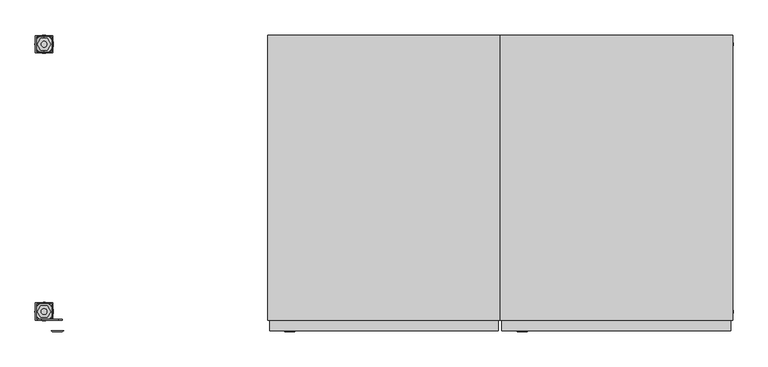
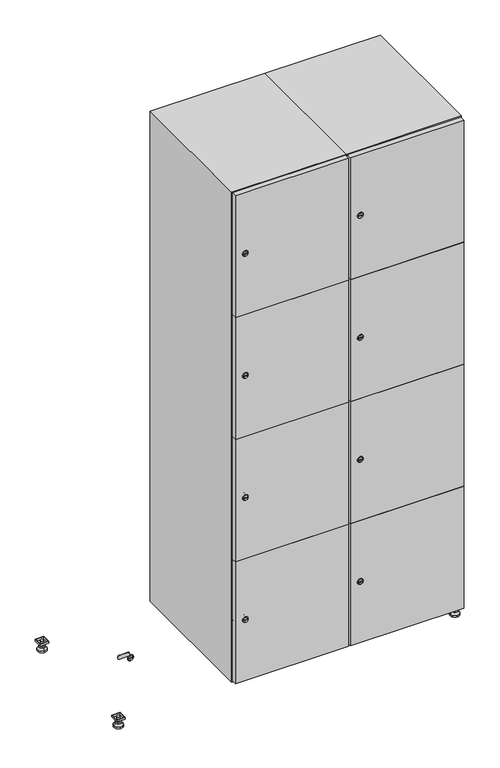
"""IFC4 building model written with IfcOpenShell, lengths in millimetres: furniture geometry."""

from ifc_helpers import new_model, si_unit, point, frame, frame_2d, origin, origin_with_axes, place, context, project, spatial, polyline, circle_curve, trimmed, segment, composite_curve, outline, extrude, faceted_brep, source, transform, mapped, element, save
from ifc_brep_helpers import plane_surface, revolved_surface, advanced_brep


def furniture_dc9c02c7(model_context):
    return source(origin(), model_context, "Body", "SolidModel", [
        extrude(outline(polyline([(1000.0, 245.0), (1000.0, 215.0), (970.0, 215.0), (970.0, 245.0), (1000.0, 245.0)]), holes=[polyline([(998.0, 243.0), (972.0, 243.0), (972.0, 217.0), (998.0, 217.0), (998.0, 243.0)])]), frame((0.0, 0.0, 28.5), z_axis=(0.0, 0.0, 1.0), x_axis=(1.0, 0.0, 0.0)), (0.0, 0.0, 1.0), 6.5),
        extrude(outline(polyline([(970.0, -245.0), (970.0, -215.0), (1000.0, -215.0), (1000.0, -245.0), (970.0, -245.0)]), holes=[polyline([(972.0, -243.0), (998.0, -243.0), (998.0, -217.0), (972.0, -217.0), (972.0, -243.0)])]), frame((0.0, 0.0, 28.5), z_axis=(0.0, 0.0, 1.0), x_axis=(1.0, 0.0, 0.0)), (0.0, 0.0, 1.0), 6.5),
        extrude(outline(polyline([(-170.0, 245.0), (-170.0, 215.0), (-200.0, 215.0), (-200.0, 245.0), (-170.0, 245.0)]), holes=[polyline([(-172.0, 243.0), (-198.0, 243.0), (-198.0, 217.0), (-172.0, 217.0), (-172.0, 243.0)])]), frame((0.0, 0.0, 28.5), z_axis=(0.0, 0.0, 1.0), x_axis=(1.0, 0.0, 0.0)), (0.0, 0.0, 1.0), 6.5),
        extrude(outline(polyline([(-170.0, -215.0), (-170.0, -245.0), (-200.0, -245.0), (-200.0, -215.0), (-170.0, -215.0)]), holes=[polyline([(-198.0, -243.0), (-172.0, -243.0), (-172.0, -217.0), (-198.0, -217.0), (-198.0, -243.0)])]), frame((0.0, 0.0, 28.5), z_axis=(0.0, 0.0, 1.0), x_axis=(1.0, 0.0, 0.0)), (0.0, 0.0, 1.0), 6.5),
        extrude(outline(composite_curve([segment(trimmed(circle_curve(frame_2d((-185.0, 230.0)), 5.0), [point((-180.0, 230.0))], [point((-190.0, 230.0))], False, "CARTESIAN"), True, "CONTINUOUS"), segment(trimmed(circle_curve(frame_2d((-185.0, 230.0)), 5.0), [point((-190.0, 230.0))], [point((-180.0, 230.0))], False, "CARTESIAN"), True, "CONTINUOUS")], self_intersect=False)), frame((0.0, 0.0, 19.6), z_axis=(0.0, 0.0, 1.0), x_axis=(1.0, 0.0, 0.0)), (0.0, 0.0, 1.0), 15.4),
        extrude(outline(composite_curve([segment(trimmed(circle_curve(frame_2d((-185.0, -230.0)), 5.0), [point((-180.0, -230.0))], [point((-190.0, -230.0))], False, "CARTESIAN"), True, "CONTINUOUS"), segment(trimmed(circle_curve(frame_2d((-185.0, -230.0)), 5.0), [point((-190.0, -230.0))], [point((-180.0, -230.0))], False, "CARTESIAN"), True, "CONTINUOUS")], self_intersect=False)), frame((0.0, 0.0, 19.6), z_axis=(0.0, 0.0, 1.0), x_axis=(1.0, 0.0, 0.0)), (0.0, 0.0, 1.0), 15.4),
        extrude(outline(composite_curve([segment(trimmed(circle_curve(frame_2d((985.0, 230.0)), 5.0), [point((990.0, 230.0))], [point((980.0, 230.0))], False, "CARTESIAN"), True, "CONTINUOUS"), segment(trimmed(circle_curve(frame_2d((985.0, 230.0)), 5.0), [point((980.0, 230.0))], [point((990.0, 230.0))], False, "CARTESIAN"), True, "CONTINUOUS")], self_intersect=False)), frame((0.0, 0.0, 19.6), z_axis=(0.0, 0.0, 1.0), x_axis=(1.0, 0.0, 0.0)), (0.0, 0.0, 1.0), 15.4),
        extrude(outline(polyline([(973.4529946, 230.0), (979.2264973, 240.0), (990.7735027, 240.0), (996.5470054, 230.0), (990.7735027, 220.0), (979.2264973, 220.0), (973.4529946, 230.0)])), frame((0.0, 0.0, 13.6), z_axis=(0.0, 0.0, 1.0), x_axis=(1.0, 0.0, 0.0)), (0.0, 0.0, 1.0), 6.0),
        extrude(outline(composite_curve([segment(trimmed(circle_curve(frame_2d((985.0, -230.0)), 5.0), [point((990.0, -230.0))], [point((980.0, -230.0))], False, "CARTESIAN"), True, "CONTINUOUS"), segment(trimmed(circle_curve(frame_2d((985.0, -230.0)), 5.0), [point((980.0, -230.0))], [point((990.0, -230.0))], False, "CARTESIAN"), True, "CONTINUOUS")], self_intersect=False)), frame((0.0, 0.0, 19.6), z_axis=(0.0, 0.0, 1.0), x_axis=(1.0, 0.0, 0.0)), (0.0, 0.0, 1.0), 15.4),
        extrude(outline(polyline([(973.4529946, -230.0), (979.2264973, -220.0), (990.7735027, -220.0), (996.5470054, -230.0), (990.7735027, -240.0), (979.2264973, -240.0), (973.4529946, -230.0)])), frame((0.0, 0.0, 13.6), z_axis=(0.0, 0.0, 1.0), x_axis=(1.0, 0.0, 0.0)), (0.0, 0.0, 1.0), 6.0),
        extrude(outline(composite_curve([segment(trimmed(circle_curve(frame_2d((985.0, 230.0)), 5.0), [point((990.0, 230.0))], [point((980.0, 230.0))], False, "CARTESIAN"), True, "CONTINUOUS"), segment(trimmed(circle_curve(frame_2d((985.0, 230.0)), 5.0), [point((980.0, 230.0))], [point((990.0, 230.0))], False, "CARTESIAN"), True, "CONTINUOUS")], self_intersect=False)), frame((0.0, 0.0, 12.1), z_axis=(0.0, 0.0, 1.0), x_axis=(1.0, 0.0, 0.0)), (0.0, 0.0, 1.0), 1.5),
        extrude(outline(composite_curve([segment(trimmed(circle_curve(frame_2d((985.0, -230.0)), 5.0), [point((990.0, -230.0))], [point((980.0, -230.0))], False, "CARTESIAN"), True, "CONTINUOUS"), segment(trimmed(circle_curve(frame_2d((985.0, -230.0)), 5.0), [point((980.0, -230.0))], [point((990.0, -230.0))], False, "CARTESIAN"), True, "CONTINUOUS")], self_intersect=False)), frame((0.0, 0.0, 12.1), z_axis=(0.0, 0.0, 1.0), x_axis=(1.0, 0.0, 0.0)), (0.0, 0.0, 1.0), 1.5),
        extrude(outline(polyline([(-196.5470054, 230.0), (-190.7735027, 240.0), (-179.2264973, 240.0), (-173.4529946, 230.0), (-179.2264973, 220.0), (-190.7735027, 220.0), (-196.5470054, 230.0)])), frame((0.0, 0.0, 13.6), z_axis=(0.0, 0.0, 1.0), x_axis=(1.0, 0.0, 0.0)), (0.0, 0.0, 1.0), 6.0),
        extrude(outline(polyline([(-196.5470054, -230.0), (-190.7735027, -220.0), (-179.2264973, -220.0), (-173.4529946, -230.0), (-179.2264973, -240.0), (-190.7735027, -240.0), (-196.5470054, -230.0)])), frame((0.0, 0.0, 13.6), z_axis=(0.0, 0.0, 1.0), x_axis=(1.0, 0.0, 0.0)), (0.0, 0.0, 1.0), 6.0),
        extrude(outline(composite_curve([segment(trimmed(circle_curve(frame_2d((-185.0, 230.0)), 5.0), [point((-185.0, 235.0))], [point((-185.0, 225.0))], False, "CARTESIAN"), True, "CONTINUOUS"), segment(trimmed(circle_curve(frame_2d((-185.0, 230.0)), 5.0), [point((-185.0, 225.0))], [point((-185.0, 235.0))], False, "CARTESIAN"), True, "CONTINUOUS")], self_intersect=False)), frame((0.0, 0.0, 12.1), z_axis=(0.0, 0.0, 1.0), x_axis=(1.0, 0.0, 0.0)), (0.0, 0.0, 1.0), 1.5),
        extrude(outline(composite_curve([segment(trimmed(circle_curve(frame_2d((-185.0, -230.0)), 5.0), [point((-180.0, -230.0))], [point((-190.0, -230.0))], False, "CARTESIAN"), True, "CONTINUOUS"), segment(trimmed(circle_curve(frame_2d((-185.0, -230.0)), 5.0), [point((-190.0, -230.0))], [point((-180.0, -230.0))], False, "CARTESIAN"), True, "CONTINUOUS")], self_intersect=False)), frame((0.0, 0.0, 12.1), z_axis=(0.0, 0.0, 1.0), x_axis=(1.0, 0.0, 0.0)), (0.0, 0.0, 1.0), 1.5),
        extrude(outline(composite_curve([segment(trimmed(circle_curve(frame_2d((985.0, 230.0)), 15.75), [point((1000.75, 230.0))], [point((969.25, 230.0))], False, "CARTESIAN"), True, "CONTINUOUS"), segment(trimmed(circle_curve(frame_2d((985.0, 230.0)), 15.75), [point((969.25, 230.0))], [point((1000.75, 230.0))], False, "CARTESIAN"), True, "CONTINUOUS")], self_intersect=False)), origin_with_axes(), (0.0, 0.0, 1.0), 5.1),
        extrude(outline(composite_curve([segment(trimmed(circle_curve(frame_2d((985.0, -230.0)), 15.75), [point((985.0, -214.25))], [point((985.0, -245.75))], False, "CARTESIAN"), True, "CONTINUOUS"), segment(trimmed(circle_curve(frame_2d((985.0, -230.0)), 15.75), [point((985.0, -245.75))], [point((985.0, -214.25))], False, "CARTESIAN"), True, "CONTINUOUS")], self_intersect=False)), origin_with_axes(), (0.0, 0.0, 1.0), 5.1),
        extrude(outline(composite_curve([segment(trimmed(circle_curve(frame_2d((-185.0, -230.0)), 15.75), [point((-169.25, -230.0))], [point((-200.75, -230.0))], False, "CARTESIAN"), True, "CONTINUOUS"), segment(trimmed(circle_curve(frame_2d((-185.0, -230.0)), 15.75), [point((-200.75, -230.0))], [point((-169.25, -230.0))], False, "CARTESIAN"), True, "CONTINUOUS")], self_intersect=False)), origin_with_axes(), (0.0, 0.0, 1.0), 5.1),
        extrude(outline(composite_curve([segment(trimmed(circle_curve(frame_2d((-185.0, 230.0)), 15.75), [point((-169.25, 230.0))], [point((-200.75, 230.0))], False, "CARTESIAN"), True, "CONTINUOUS"), segment(trimmed(circle_curve(frame_2d((-185.0, 230.0)), 15.75), [point((-200.75, 230.0))], [point((-169.25, 230.0))], False, "CARTESIAN"), True, "CONTINUOUS")], self_intersect=False)), origin_with_axes(), (0.0, 0.0, 1.0), 5.1),
        advanced_brep(
        [(-185.0, 239.5, 12.1), (-185.0, 220.5, 12.1), (-185.0, 214.25, 5.1), (-185.0, 245.75, 5.1)],
        [
            (0, 1, circle_curve(frame((-185.0, 230.0, 12.1), z_axis=(0.0, 0.0, -1.0), x_axis=(0.0, 1.0, 0.0)), 9.5)),
            (1, 2),
            (2, 3, circle_curve(frame((-185.0, 230.0, 5.1), z_axis=(0.0, 0.0, 1.0), x_axis=(0.0, 1.0, 0.0)), 15.75)),
            (3, 0),
            (1, 0, circle_curve(frame((-185.0, 230.0, 12.1), z_axis=(0.0, 0.0, -1.0), x_axis=(0.0, -1.0, 0.0)), 9.5)),
            (3, 2, circle_curve(frame((-185.0, 230.0, 5.1), z_axis=(0.0, 0.0, 1.0), x_axis=(0.0, -1.0, 0.0)), 15.75)),
        ],
        [
            revolved_surface(polyline([(-185.0, 220.5, 12.099999999999998), (-185.0, 214.25, 5.099999999999998)]), (-185.0, 230.0, 22.74), (0.0, 0.0, -1.0)),
            revolved_surface(polyline([(-185.0, 239.5, 12.099999999999998), (-185.0, 245.75, 5.099999999999998)]), (-185.0, 230.0, 22.74), (0.0, 0.0, -1.0)),
            plane_surface(frame((-185.0, 230.0, 5.1), z_axis=(0.0, 0.0, -1.0), x_axis=(1.0, 0.0, 0.0))),
            plane_surface(frame((-185.0, 230.0, 12.1), z_axis=(0.0, 0.0, 1.0), x_axis=(1.0, 0.0, 0.0))),
        ],
        [
            (0, [[1, 2, 3, 4]]),
            (1, [[5, -4, 6, -2]]),
            (2, [[-3, -6]]),
            (3, [[-5, -1]]),
        ],
    ),
        advanced_brep(
        [(985.0, 239.5, 12.1), (985.0, 220.5, 12.1), (985.0, 214.25, 5.1), (985.0, 245.75, 5.1)],
        [
            (0, 1, circle_curve(frame((985.0, 230.0, 12.1), z_axis=(0.0, 0.0, -1.0), x_axis=(0.0, 1.0, 0.0)), 9.5)),
            (1, 2),
            (2, 3, circle_curve(frame((985.0, 230.0, 5.1), z_axis=(0.0, 0.0, 1.0), x_axis=(0.0, 1.0, 0.0)), 15.75)),
            (3, 0),
            (1, 0, circle_curve(frame((985.0, 230.0, 12.1), z_axis=(0.0, 0.0, -1.0), x_axis=(0.0, -1.0, 0.0)), 9.5)),
            (3, 2, circle_curve(frame((985.0, 230.0, 5.1), z_axis=(0.0, 0.0, 1.0), x_axis=(0.0, -1.0, 0.0)), 15.75)),
        ],
        [
            revolved_surface(polyline([(985.0, 220.5, 12.099999999999998), (985.0, 214.25, 5.099999999999998)]), (985.0, 230.0, 22.74), (0.0, 0.0, -1.0)),
            revolved_surface(polyline([(985.0, 239.5, 12.099999999999998), (985.0, 245.75, 5.099999999999998)]), (985.0, 230.0, 22.74), (0.0, 0.0, -1.0)),
            plane_surface(frame((985.0, 230.0, 5.1), z_axis=(0.0, 0.0, -1.0), x_axis=(1.0, 0.0, 0.0))),
            plane_surface(frame((985.0, 230.0, 12.1), z_axis=(0.0, 0.0, 1.0), x_axis=(1.0, 0.0, 0.0))),
        ],
        [
            (0, [[1, 2, 3, 4]]),
            (1, [[5, -4, 6, -2]]),
            (2, [[-3, -6]]),
            (3, [[-5, -1]]),
        ],
    ),
        advanced_brep(
        [(1000.75, -230.0, 5.1), (969.25, -230.0, 5.1), (975.5, -230.0, 12.1), (994.5, -230.0, 12.1)],
        [
            (0, 1, circle_curve(frame((985.0, -230.0, 5.1), z_axis=(0.0, 0.0, 1.0), x_axis=(1.0, 0.0, 0.0)), 15.75)),
            (1, 2),
            (2, 3, circle_curve(frame((985.0, -230.0, 12.1), z_axis=(0.0, 0.0, -1.0), x_axis=(1.0, 0.0, 0.0)), 9.5)),
            (3, 0),
            (1, 0, circle_curve(frame((985.0, -230.0, 5.1), z_axis=(0.0, 0.0, 1.0), x_axis=(-1.0, 0.0, 0.0)), 15.75)),
            (3, 2, circle_curve(frame((985.0, -230.0, 12.1), z_axis=(0.0, 0.0, -1.0), x_axis=(-1.0, 0.0, 0.0)), 9.5)),
        ],
        [
            revolved_surface(polyline([(994.5, -230.0, 12.099999999999998), (1000.75, -230.0, 5.099999999999998)]), (985.0, -230.0, 22.74), (0.0, 0.0, -1.0)),
            revolved_surface(polyline([(975.5, -230.0, 12.099999999999998), (969.25, -230.0, 5.099999999999998)]), (985.0, -230.0, 22.74), (0.0, 0.0, -1.0)),
            plane_surface(frame((985.0, -230.0, 12.1), z_axis=(0.0, 0.0, 1.0), x_axis=(0.0, 1.0, 0.0))),
            plane_surface(frame((985.0, -230.0, 5.1), z_axis=(0.0, 0.0, -1.0), x_axis=(0.0, 1.0, 0.0))),
        ],
        [
            (0, [[1, 2, 3, 4]]),
            (1, [[5, -4, 6, -2]]),
            (2, [[-3, -6]]),
            (3, [[-5, -1]]),
        ],
    ),
        advanced_brep(
        [(-169.25, -230.0, 5.1), (-200.75, -230.0, 5.1), (-194.5, -230.0, 12.1), (-175.5, -230.0, 12.1)],
        [
            (0, 1, circle_curve(frame((-185.0, -230.0, 5.1), z_axis=(0.0, 0.0, 1.0), x_axis=(1.0, 0.0, 0.0)), 15.75)),
            (1, 2),
            (2, 3, circle_curve(frame((-185.0, -230.0, 12.1), z_axis=(0.0, 0.0, -1.0), x_axis=(1.0, 0.0, 0.0)), 9.5)),
            (3, 0),
            (1, 0, circle_curve(frame((-185.0, -230.0, 5.1), z_axis=(0.0, 0.0, 1.0), x_axis=(-1.0, 0.0, 0.0)), 15.75)),
            (3, 2, circle_curve(frame((-185.0, -230.0, 12.1), z_axis=(0.0, 0.0, -1.0), x_axis=(-1.0, 0.0, 0.0)), 9.5)),
        ],
        [
            revolved_surface(polyline([(-175.5, -230.0, 12.099999999999998), (-169.25, -230.0, 5.099999999999998)]), (-185.0, -230.0, 22.74), (0.0, 0.0, -1.0)),
            revolved_surface(polyline([(-194.5, -230.0, 12.099999999999998), (-200.75, -230.0, 5.099999999999998)]), (-185.0, -230.0, 22.74), (0.0, 0.0, -1.0)),
            plane_surface(frame((-185.0, -230.0, 12.1), z_axis=(0.0, 0.0, 1.0), x_axis=(0.0, 1.0, 0.0))),
            plane_surface(frame((-185.0, -230.0, 5.1), z_axis=(0.0, 0.0, -1.0), x_axis=(0.0, 1.0, 0.0))),
        ],
        [
            (0, [[1, 2, 3, 4]]),
            (1, [[5, -4, 6, -2]]),
            (2, [[-3, -6]]),
            (3, [[-5, -1]]),
        ],
    ),
        extrude(outline(composite_curve([segment(trimmed(circle_curve(frame_2d((262.25, 611.2010534)), 7.0), [point((269.25, 611.2010534))], [point((255.25, 611.2010534))], False, "CARTESIAN"), True, "CONTINUOUS"), segment(polyline([(255.25, 611.2010534), (255.25, 639.2010534)]), True, "CONTINUOUS"), segment(trimmed(circle_curve(frame_2d((262.25, 639.2010534)), 7.0), [point((255.25, 639.2010534))], [point((269.25, 639.2010534))], False, "CARTESIAN"), True, "CONTINUOUS"), segment(polyline([(269.25, 639.2010534), (269.25, 611.2010534)]), True, "CONTINUOUS")], self_intersect=False)), frame((0.0, -245.0, 0.0), z_axis=(0.0, 1.0, 0.0), x_axis=(0.0, 0.0, 1.0)), (0.0, 0.0, 1.0), 2.0),
        advanced_brep(
        [(646.5, -265.2, 262.25), (629.5, -265.2, 262.25), (633.0, -265.2, 261.0), (633.0, -265.2, 263.5), (643.0, -265.2, 263.5), (643.0, -265.2, 261.0), (648.5, -263.0, 262.25), (627.5, -263.0, 262.25), (633.0, -263.0, 263.5), (633.0, -263.0, 261.0), (643.0, -263.0, 261.0), (643.0, -263.0, 263.5)],
        [
            (0, 1, circle_curve(frame((638.0, -265.2, 262.25), z_axis=(0.0, -1.0, 0.0), x_axis=(1.0, 0.0, 0.0)), 8.5)),
            (1, 0, circle_curve(frame((638.0, -265.2, 262.25), z_axis=(0.0, -1.0, 0.0), x_axis=(-1.0, 0.0, 0.0)), 8.5)),
            (2, 3),
            (3, 4),
            (4, 5),
            (5, 2),
            (6, 7, circle_curve(frame((638.0, -263.0, 262.25), z_axis=(0.0, 1.0, 0.0), x_axis=(-1.0, 0.0, 0.0)), 10.5)),
            (7, 6, circle_curve(frame((638.0, -263.0, 262.25), z_axis=(0.0, 1.0, 0.0), x_axis=(1.0, 0.0, 0.0)), 10.5)),
            (8, 9),
            (9, 10),
            (10, 11),
            (11, 8),
            (0, 6),
            (7, 1),
            (8, 3),
            (2, 9),
            (11, 4),
            (10, 5),
        ],
        [
            plane_surface(frame((638.0, -265.2, 262.25), z_axis=(0.0, -1.0, 0.0), x_axis=(0.0, 0.0, 1.0))),
            plane_surface(frame((638.0, -263.0, 262.25), z_axis=(0.0, 1.0, 0.0), x_axis=(0.0, 0.0, 1.0))),
            revolved_surface(polyline([(646.5, -265.2, 262.25), (648.5, -263.0, 262.25)]), (638.0, -274.55, 262.25), (0.0, 1.0, 0.0)),
            revolved_surface(polyline([(629.5, -265.2, 262.25), (627.5, -263.0, 262.25)]), (638.0, -274.55, 262.25), (0.0, 1.0, 0.0)),
            plane_surface(frame((633.0, -263.0, 261.0), z_axis=(1.0, 0.0, 0.0), x_axis=(0.0, -1.0, 0.0))),
            plane_surface(frame((633.0, -263.0, 263.5), z_axis=(0.0, 0.0, -1.0), x_axis=(0.0, -1.0, 0.0))),
            plane_surface(frame((643.0, -263.0, 263.5), z_axis=(-1.0, 0.0, 0.0), x_axis=(0.0, -1.0, 0.0))),
            plane_surface(frame((643.0, -263.0, 261.0), z_axis=(0.0, 0.0, 1.0), x_axis=(0.0, -1.0, 0.0))),
        ],
        [
            (0, [[1, 2], [3, 4, 5, 6]]),
            (1, [[7, 8], [9, 10, 11, 12]]),
            (2, [[-1, 13, -8, 14]]),
            (3, [[-2, -14, -7, -13]]),
            (4, [[15, -3, 16, -9]]),
            (5, [[-15, -12, 17, -4]]),
            (6, [[-17, -11, 18, -5]]),
            (7, [[-16, -6, -18, -10]]),
        ],
    ),
        extrude(outline(composite_curve([segment(trimmed(circle_curve(frame_2d((710.75, 611.2010534)), 7.0), [point((717.75, 611.2010534))], [point((703.75, 611.2010534))], False, "CARTESIAN"), True, "CONTINUOUS"), segment(polyline([(703.75, 611.2010534), (703.75, 639.2010534)]), True, "CONTINUOUS"), segment(trimmed(circle_curve(frame_2d((710.75, 639.2010534)), 7.0), [point((703.75, 639.2010534))], [point((717.75, 639.2010534))], False, "CARTESIAN"), True, "CONTINUOUS"), segment(polyline([(717.75, 639.2010534), (717.75, 611.2010534)]), True, "CONTINUOUS")], self_intersect=False)), frame((0.0, -245.0, 0.0), z_axis=(0.0, 1.0, 0.0), x_axis=(0.0, 0.0, 1.0)), (0.0, 0.0, 1.0), 2.0),
        advanced_brep(
        [(646.5, -265.2, 710.75), (629.5, -265.2, 710.75), (633.0, -265.2, 709.5), (633.0, -265.2, 712.0), (643.0, -265.2, 712.0), (643.0, -265.2, 709.5), (648.5, -263.0, 710.75), (627.5, -263.0, 710.75), (633.0, -263.0, 712.0), (633.0, -263.0, 709.5), (643.0, -263.0, 709.5), (643.0, -263.0, 712.0)],
        [
            (0, 1, circle_curve(frame((638.0, -265.2, 710.75), z_axis=(0.0, -1.0, 0.0), x_axis=(1.0, 0.0, 0.0)), 8.5)),
            (1, 0, circle_curve(frame((638.0, -265.2, 710.75), z_axis=(0.0, -1.0, 0.0), x_axis=(-1.0, 0.0, 0.0)), 8.5)),
            (2, 3),
            (3, 4),
            (4, 5),
            (5, 2),
            (6, 7, circle_curve(frame((638.0, -263.0, 710.75), z_axis=(0.0, 1.0, 0.0), x_axis=(-1.0, 0.0, 0.0)), 10.5)),
            (7, 6, circle_curve(frame((638.0, -263.0, 710.75), z_axis=(0.0, 1.0, 0.0), x_axis=(1.0, 0.0, 0.0)), 10.5)),
            (8, 9),
            (9, 10),
            (10, 11),
            (11, 8),
            (0, 6),
            (7, 1),
            (8, 3),
            (2, 9),
            (11, 4),
            (10, 5),
        ],
        [
            plane_surface(frame((638.0, -265.2, 710.75), z_axis=(0.0, -1.0, 0.0), x_axis=(0.0, 0.0, 1.0))),
            plane_surface(frame((638.0, -263.0, 710.75), z_axis=(0.0, 1.0, 0.0), x_axis=(0.0, 0.0, 1.0))),
            revolved_surface(polyline([(646.5, -265.2, 710.75), (648.5, -263.0, 710.75)]), (638.0, -274.55, 710.75), (0.0, 1.0, 0.0)),
            revolved_surface(polyline([(629.5, -265.2, 710.75), (627.5, -263.0, 710.75)]), (638.0, -274.55, 710.75), (0.0, 1.0, 0.0)),
            plane_surface(frame((633.0, -263.0, 709.5), z_axis=(1.0, 0.0, 0.0), x_axis=(0.0, -1.0, 0.0))),
            plane_surface(frame((633.0, -263.0, 712.0), z_axis=(0.0, 0.0, -1.0), x_axis=(0.0, -1.0, 0.0))),
            plane_surface(frame((643.0, -263.0, 712.0), z_axis=(-1.0, 0.0, 0.0), x_axis=(0.0, -1.0, 0.0))),
            plane_surface(frame((643.0, -263.0, 709.5), z_axis=(0.0, 0.0, 1.0), x_axis=(0.0, -1.0, 0.0))),
        ],
        [
            (0, [[1, 2], [3, 4, 5, 6]]),
            (1, [[7, 8], [9, 10, 11, 12]]),
            (2, [[-1, 13, -8, 14]]),
            (3, [[-2, -14, -7, -13]]),
            (4, [[15, -3, 16, -9]]),
            (5, [[-15, -12, 17, -4]]),
            (6, [[-17, -11, 18, -5]]),
            (7, [[-16, -6, -18, -10]]),
        ],
    ),
        extrude(outline(composite_curve([segment(trimmed(circle_curve(frame_2d((1159.25, 611.2010534)), 7.0), [point((1166.25, 611.2010534))], [point((1152.25, 611.2010534))], False, "CARTESIAN"), True, "CONTINUOUS"), segment(polyline([(1152.25, 611.2010534), (1152.25, 639.2010534)]), True, "CONTINUOUS"), segment(trimmed(circle_curve(frame_2d((1159.25, 639.2010534)), 7.0), [point((1152.25, 639.2010534))], [point((1166.25, 639.2010534))], False, "CARTESIAN"), True, "CONTINUOUS"), segment(polyline([(1166.25, 639.2010534), (1166.25, 611.2010534)]), True, "CONTINUOUS")], self_intersect=False)), frame((0.0, -245.0, 0.0), z_axis=(0.0, 1.0, 0.0), x_axis=(0.0, 0.0, 1.0)), (0.0, 0.0, 1.0), 2.0),
        advanced_brep(
        [(646.5, -265.2, 1159.25), (629.5, -265.2, 1159.25), (633.0, -265.2, 1158.0), (633.0, -265.2, 1160.5), (643.0, -265.2, 1160.5), (643.0, -265.2, 1158.0), (648.5, -263.0, 1159.25), (627.5, -263.0, 1159.25), (633.0, -263.0, 1160.5), (633.0, -263.0, 1158.0), (643.0, -263.0, 1158.0), (643.0, -263.0, 1160.5)],
        [
            (0, 1, circle_curve(frame((638.0, -265.2, 1159.25), z_axis=(0.0, -1.0, 0.0), x_axis=(1.0, 0.0, 0.0)), 8.5)),
            (1, 0, circle_curve(frame((638.0, -265.2, 1159.25), z_axis=(0.0, -1.0, 0.0), x_axis=(-1.0, 0.0, 0.0)), 8.5)),
            (2, 3),
            (3, 4),
            (4, 5),
            (5, 2),
            (6, 7, circle_curve(frame((638.0, -263.0, 1159.25), z_axis=(0.0, 1.0, 0.0), x_axis=(-1.0, 0.0, 0.0)), 10.5)),
            (7, 6, circle_curve(frame((638.0, -263.0, 1159.25), z_axis=(0.0, 1.0, 0.0), x_axis=(1.0, 0.0, 0.0)), 10.5)),
            (8, 9),
            (9, 10),
            (10, 11),
            (11, 8),
            (0, 6),
            (7, 1),
            (8, 3),
            (2, 9),
            (11, 4),
            (10, 5),
        ],
        [
            plane_surface(frame((638.0, -265.2, 1159.25), z_axis=(0.0, -1.0, 0.0), x_axis=(0.0, 0.0, 1.0))),
            plane_surface(frame((638.0, -263.0, 1159.25), z_axis=(0.0, 1.0, 0.0), x_axis=(0.0, 0.0, 1.0))),
            revolved_surface(polyline([(646.5, -265.2, 1159.25), (648.5, -263.0, 1159.25)]), (638.0, -274.55, 1159.25), (0.0, 1.0, 0.0)),
            revolved_surface(polyline([(629.5, -265.2, 1159.25), (627.5, -263.0, 1159.25)]), (638.0, -274.55, 1159.25), (0.0, 1.0, 0.0)),
            plane_surface(frame((633.0, -263.0, 1158.0), z_axis=(1.0, 0.0, 0.0), x_axis=(0.0, -1.0, 0.0))),
            plane_surface(frame((633.0, -263.0, 1160.5), z_axis=(0.0, 0.0, -1.0), x_axis=(0.0, -1.0, 0.0))),
            plane_surface(frame((643.0, -263.0, 1160.5), z_axis=(-1.0, 0.0, 0.0), x_axis=(0.0, -1.0, 0.0))),
            plane_surface(frame((643.0, -263.0, 1158.0), z_axis=(0.0, 0.0, 1.0), x_axis=(0.0, -1.0, 0.0))),
        ],
        [
            (0, [[1, 2], [3, 4, 5, 6]]),
            (1, [[7, 8], [9, 10, 11, 12]]),
            (2, [[-1, 13, -8, 14]]),
            (3, [[-2, -14, -7, -13]]),
            (4, [[15, -3, 16, -9]]),
            (5, [[-15, -12, 17, -4]]),
            (6, [[-17, -11, 18, -5]]),
            (7, [[-16, -6, -18, -10]]),
        ],
    ),
        extrude(outline(composite_curve([segment(trimmed(circle_curve(frame_2d((1607.75, 611.2010534)), 7.0), [point((1614.75, 611.2010534))], [point((1600.75, 611.2010534))], False, "CARTESIAN"), True, "CONTINUOUS"), segment(polyline([(1600.75, 611.2010534), (1600.75, 639.2010534)]), True, "CONTINUOUS"), segment(trimmed(circle_curve(frame_2d((1607.75, 639.2010534)), 7.0), [point((1600.75, 639.2010534))], [point((1614.75, 639.2010534))], False, "CARTESIAN"), True, "CONTINUOUS"), segment(polyline([(1614.75, 639.2010534), (1614.75, 611.2010534)]), True, "CONTINUOUS")], self_intersect=False)), frame((0.0, -245.0, 0.0), z_axis=(0.0, 1.0, 0.0), x_axis=(0.0, 0.0, 1.0)), (0.0, 0.0, 1.0), 2.0),
        advanced_brep(
        [(646.5, -265.2, 1607.75), (629.5, -265.2, 1607.75), (633.0, -265.2, 1606.5), (633.0, -265.2, 1609.0), (643.0, -265.2, 1609.0), (643.0, -265.2, 1606.5), (648.5, -263.0, 1607.75), (627.5, -263.0, 1607.75), (633.0, -263.0, 1609.0), (633.0, -263.0, 1606.5), (643.0, -263.0, 1606.5), (643.0, -263.0, 1609.0)],
        [
            (0, 1, circle_curve(frame((638.0, -265.2, 1607.75), z_axis=(0.0, -1.0, 0.0), x_axis=(1.0, 0.0, 0.0)), 8.5)),
            (1, 0, circle_curve(frame((638.0, -265.2, 1607.75), z_axis=(0.0, -1.0, 0.0), x_axis=(-1.0, 0.0, 0.0)), 8.5)),
            (2, 3),
            (3, 4),
            (4, 5),
            (5, 2),
            (6, 7, circle_curve(frame((638.0, -263.0, 1607.75), z_axis=(0.0, 1.0, 0.0), x_axis=(-1.0, 0.0, 0.0)), 10.5)),
            (7, 6, circle_curve(frame((638.0, -263.0, 1607.75), z_axis=(0.0, 1.0, 0.0), x_axis=(1.0, 0.0, 0.0)), 10.5)),
            (8, 9),
            (9, 10),
            (10, 11),
            (11, 8),
            (0, 6),
            (7, 1),
            (8, 3),
            (2, 9),
            (11, 4),
            (10, 5),
        ],
        [
            plane_surface(frame((638.0, -265.2, 1607.75), z_axis=(0.0, -1.0, 0.0), x_axis=(0.0, 0.0, 1.0))),
            plane_surface(frame((638.0, -263.0, 1607.75), z_axis=(0.0, 1.0, 0.0), x_axis=(0.0, 0.0, 1.0))),
            revolved_surface(polyline([(646.5, -265.2, 1607.75), (648.5, -263.0, 1607.75)]), (638.0, -274.55, 1607.75), (0.0, 1.0, 0.0)),
            revolved_surface(polyline([(629.5, -265.2, 1607.75), (627.5, -263.0, 1607.75)]), (638.0, -274.55, 1607.75), (0.0, 1.0, 0.0)),
            plane_surface(frame((633.0, -263.0, 1606.5), z_axis=(1.0, 0.0, 0.0), x_axis=(0.0, -1.0, 0.0))),
            plane_surface(frame((633.0, -263.0, 1609.0), z_axis=(0.0, 0.0, -1.0), x_axis=(0.0, -1.0, 0.0))),
            plane_surface(frame((643.0, -263.0, 1609.0), z_axis=(-1.0, 0.0, 0.0), x_axis=(0.0, -1.0, 0.0))),
            plane_surface(frame((643.0, -263.0, 1606.5), z_axis=(0.0, 0.0, 1.0), x_axis=(0.0, -1.0, 0.0))),
        ],
        [
            (0, [[1, 2], [3, 4, 5, 6]]),
            (1, [[7, 8], [9, 10, 11, 12]]),
            (2, [[-1, 13, -8, 14]]),
            (3, [[-2, -14, -7, -13]]),
            (4, [[15, -3, 16, -9]]),
            (5, [[-15, -12, 17, -4]]),
            (6, [[-17, -11, 18, -5]]),
            (7, [[-16, -6, -18, -10]]),
        ],
    ),
        extrude(outline(polyline([(997.0, -245.0), (997.0, -263.0), (603.0, -263.0), (603.0, -245.0), (997.0, -245.0)])), frame((0.0, 0.0, 486.0), z_axis=(0.0, 0.0, 1.0), x_axis=(1.0, 0.0, 0.0)), (0.0, 0.0, 1.0), 448.5),
        extrude(outline(polyline([(997.0, -245.0), (997.0, -263.0), (603.0, -263.0), (603.0, -245.0), (997.0, -245.0)])), frame((0.0, 0.0, 935.5), z_axis=(0.0, 0.0, 1.0), x_axis=(1.0, 0.0, 0.0)), (0.0, 0.0, 1.0), 447.5),
        extrude(outline(polyline([(603.0, -263.0), (603.0, -245.0), (997.0, -245.0), (997.0, -263.0), (603.0, -263.0)])), frame((0.0, 0.0, 1384.0), z_axis=(0.0, 0.0, 1.0), x_axis=(1.0, 0.0, 0.0)), (0.0, 0.0, 1.0), 448.0),
        extrude(outline(polyline([(997.0, -245.0), (997.0, -263.0), (603.0, -263.0), (603.0, -245.0), (997.0, -245.0)])), frame((0.0, 0.0, 38.0), z_axis=(0.0, 0.0, 1.0), x_axis=(1.0, 0.0, 0.0)), (0.0, 0.0, 1.0), 449.0),
        extrude(outline(polyline([(979.6, 242.0), (979.6, -227.0), (620.4, -227.0), (620.4, 242.0), (979.6, 242.0)])), frame((0.0, 0.0, 1359.7), z_axis=(0.0, 0.0, 1.0), x_axis=(1.0, 0.0, 0.0)), (0.0, 0.0, 1.0), 20.4),
        extrude(outline(polyline([(979.6, 242.0), (979.6, -227.0), (620.4, -227.0), (620.4, 242.0), (979.6, 242.0)])), frame((0.0, 0.0, 924.8), z_axis=(0.0, 0.0, 1.0), x_axis=(1.0, 0.0, 0.0)), (0.0, 0.0, 1.0), 20.4),
        extrude(outline(polyline([(979.6, 242.0), (979.6, -227.0), (620.4, -227.0), (620.4, 242.0), (979.6, 242.0)])), frame((0.0, 0.0, 489.9), z_axis=(0.0, 0.0, 1.0), x_axis=(1.0, 0.0, 0.0)), (0.0, 0.0, 1.0), 20.4),
        faceted_brep([(1000.0, -245.0, 35.0), (1000.0, -245.0, 1835.0), (600.0, -245.0, 1835.0), (600.0, -245.0, 35.0), (979.6, -245.0, 1804.8), (979.6, -245.0, 65.2), (620.4, -245.0, 65.2), (620.4, -245.0, 1804.8), (1000.0, 245.0, 35.0), (600.0, 245.0, 35.0), (1000.0, 245.0, 1835.0), (600.0, 245.0, 1835.0), (979.6, 242.0, 1804.8), (979.6, 242.0, 65.2), (600.0, 245.0, 1804.8), (620.4, 242.0, 1804.8), (620.4, 242.0, 65.2)], [[[0, 1, 2, 3], [4, 5, 6, 7]], [[8, 0, 3, 9]], [[1, 0, 8, 10]], [[1, 10, 11, 2]], [[4, 12, 13, 5]], [[9, 3, 2, 11, 14]], [[10, 8, 9, 14, 11]], [[12, 15, 16, 13]], [[15, 7, 6, 16]], [[4, 7, 15, 12]], [[6, 5, 13, 16]]]),
        extrude(outline(composite_curve([segment(trimmed(circle_curve(frame_2d((262.25, 211.2010534)), 7.0), [point((269.25, 211.2010534))], [point((255.25, 211.2010534))], False, "CARTESIAN"), True, "CONTINUOUS"), segment(polyline([(255.25, 211.2010534), (255.25, 239.2010534)]), True, "CONTINUOUS"), segment(trimmed(circle_curve(frame_2d((262.25, 239.2010534)), 7.0), [point((255.25, 239.2010534))], [point((269.25, 239.2010534))], False, "CARTESIAN"), True, "CONTINUOUS"), segment(polyline([(269.25, 239.2010534), (269.25, 211.2010534)]), True, "CONTINUOUS")], self_intersect=False)), frame((0.0, -245.0, 0.0), z_axis=(0.0, 1.0, 0.0), x_axis=(0.0, 0.0, 1.0)), (0.0, 0.0, 1.0), 2.0),
        advanced_brep(
        [(246.5, -265.2, 262.25), (229.5, -265.2, 262.25), (233.0, -265.2, 261.0), (233.0, -265.2, 263.5), (243.0, -265.2, 263.5), (243.0, -265.2, 261.0), (248.5, -263.0, 262.25), (227.5, -263.0, 262.25), (233.0, -263.0, 263.5), (233.0, -263.0, 261.0), (243.0, -263.0, 261.0), (243.0, -263.0, 263.5)],
        [
            (0, 1, circle_curve(frame((238.0, -265.2, 262.25), z_axis=(0.0, -1.0, 0.0), x_axis=(1.0, 0.0, 0.0)), 8.5)),
            (1, 0, circle_curve(frame((238.0, -265.2, 262.25), z_axis=(0.0, -1.0, 0.0), x_axis=(-1.0, 0.0, 0.0)), 8.5)),
            (2, 3),
            (3, 4),
            (4, 5),
            (5, 2),
            (6, 7, circle_curve(frame((238.0, -263.0, 262.25), z_axis=(0.0, 1.0, 0.0), x_axis=(-1.0, 0.0, 0.0)), 10.5)),
            (7, 6, circle_curve(frame((238.0, -263.0, 262.25), z_axis=(0.0, 1.0, 0.0), x_axis=(1.0, 0.0, 0.0)), 10.5)),
            (8, 9),
            (9, 10),
            (10, 11),
            (11, 8),
            (0, 6),
            (7, 1),
            (8, 3),
            (2, 9),
            (11, 4),
            (10, 5),
        ],
        [
            plane_surface(frame((238.0, -265.2, 262.25), z_axis=(0.0, -1.0, 0.0), x_axis=(0.0, 0.0, 1.0))),
            plane_surface(frame((238.0, -263.0, 262.25), z_axis=(0.0, 1.0, 0.0), x_axis=(0.0, 0.0, 1.0))),
            revolved_surface(polyline([(246.5, -265.2, 262.25), (248.5, -263.0, 262.25)]), (238.0, -274.55, 262.25), (0.0, 1.0, 0.0)),
            revolved_surface(polyline([(229.5, -265.2, 262.25), (227.5, -263.0, 262.25)]), (238.0, -274.55, 262.25), (0.0, 1.0, 0.0)),
            plane_surface(frame((233.0, -263.0, 261.0), z_axis=(1.0, 0.0, 0.0), x_axis=(0.0, -1.0, 0.0))),
            plane_surface(frame((233.0, -263.0, 263.5), z_axis=(0.0, 0.0, -1.0), x_axis=(0.0, -1.0, 0.0))),
            plane_surface(frame((243.0, -263.0, 263.5), z_axis=(-1.0, 0.0, 0.0), x_axis=(0.0, -1.0, 0.0))),
            plane_surface(frame((243.0, -263.0, 261.0), z_axis=(0.0, 0.0, 1.0), x_axis=(0.0, -1.0, 0.0))),
        ],
        [
            (0, [[1, 2], [3, 4, 5, 6]]),
            (1, [[7, 8], [9, 10, 11, 12]]),
            (2, [[-1, 13, -8, 14]]),
            (3, [[-2, -14, -7, -13]]),
            (4, [[15, -3, 16, -9]]),
            (5, [[-15, -12, 17, -4]]),
            (6, [[-17, -11, 18, -5]]),
            (7, [[-16, -6, -18, -10]]),
        ],
    ),
        extrude(outline(composite_curve([segment(trimmed(circle_curve(frame_2d((710.75, 211.2010534)), 7.0), [point((717.75, 211.2010534))], [point((703.75, 211.2010534))], False, "CARTESIAN"), True, "CONTINUOUS"), segment(polyline([(703.75, 211.2010534), (703.75, 239.2010534)]), True, "CONTINUOUS"), segment(trimmed(circle_curve(frame_2d((710.75, 239.2010534)), 7.0), [point((703.75, 239.2010534))], [point((717.75, 239.2010534))], False, "CARTESIAN"), True, "CONTINUOUS"), segment(polyline([(717.75, 239.2010534), (717.75, 211.2010534)]), True, "CONTINUOUS")], self_intersect=False)), frame((0.0, -245.0, 0.0), z_axis=(0.0, 1.0, 0.0), x_axis=(0.0, 0.0, 1.0)), (0.0, 0.0, 1.0), 2.0),
        advanced_brep(
        [(246.5, -265.2, 710.75), (229.5, -265.2, 710.75), (233.0, -265.2, 709.5), (233.0, -265.2, 712.0), (243.0, -265.2, 712.0), (243.0, -265.2, 709.5), (248.5, -263.0, 710.75), (227.5, -263.0, 710.75), (233.0, -263.0, 712.0), (233.0, -263.0, 709.5), (243.0, -263.0, 709.5), (243.0, -263.0, 712.0)],
        [
            (0, 1, circle_curve(frame((238.0, -265.2, 710.75), z_axis=(0.0, -1.0, 0.0), x_axis=(1.0, 0.0, 0.0)), 8.5)),
            (1, 0, circle_curve(frame((238.0, -265.2, 710.75), z_axis=(0.0, -1.0, 0.0), x_axis=(-1.0, 0.0, 0.0)), 8.5)),
            (2, 3),
            (3, 4),
            (4, 5),
            (5, 2),
            (6, 7, circle_curve(frame((238.0, -263.0, 710.75), z_axis=(0.0, 1.0, 0.0), x_axis=(-1.0, 0.0, 0.0)), 10.5)),
            (7, 6, circle_curve(frame((238.0, -263.0, 710.75), z_axis=(0.0, 1.0, 0.0), x_axis=(1.0, 0.0, 0.0)), 10.5)),
            (8, 9),
            (9, 10),
            (10, 11),
            (11, 8),
            (0, 6),
            (7, 1),
            (8, 3),
            (2, 9),
            (11, 4),
            (10, 5),
        ],
        [
            plane_surface(frame((238.0, -265.2, 710.75), z_axis=(0.0, -1.0, 0.0), x_axis=(0.0, 0.0, 1.0))),
            plane_surface(frame((238.0, -263.0, 710.75), z_axis=(0.0, 1.0, 0.0), x_axis=(0.0, 0.0, 1.0))),
            revolved_surface(polyline([(246.5, -265.2, 710.75), (248.5, -263.0, 710.75)]), (238.0, -274.55, 710.75), (0.0, 1.0, 0.0)),
            revolved_surface(polyline([(229.5, -265.2, 710.75), (227.5, -263.0, 710.75)]), (238.0, -274.55, 710.75), (0.0, 1.0, 0.0)),
            plane_surface(frame((233.0, -263.0, 709.5), z_axis=(1.0, 0.0, 0.0), x_axis=(0.0, -1.0, 0.0))),
            plane_surface(frame((233.0, -263.0, 712.0), z_axis=(0.0, 0.0, -1.0), x_axis=(0.0, -1.0, 0.0))),
            plane_surface(frame((243.0, -263.0, 712.0), z_axis=(-1.0, 0.0, 0.0), x_axis=(0.0, -1.0, 0.0))),
            plane_surface(frame((243.0, -263.0, 709.5), z_axis=(0.0, 0.0, 1.0), x_axis=(0.0, -1.0, 0.0))),
        ],
        [
            (0, [[1, 2], [3, 4, 5, 6]]),
            (1, [[7, 8], [9, 10, 11, 12]]),
            (2, [[-1, 13, -8, 14]]),
            (3, [[-2, -14, -7, -13]]),
            (4, [[15, -3, 16, -9]]),
            (5, [[-15, -12, 17, -4]]),
            (6, [[-17, -11, 18, -5]]),
            (7, [[-16, -6, -18, -10]]),
        ],
    ),
        extrude(outline(composite_curve([segment(trimmed(circle_curve(frame_2d((1159.25, 211.2010534)), 7.0), [point((1166.25, 211.2010534))], [point((1152.25, 211.2010534))], False, "CARTESIAN"), True, "CONTINUOUS"), segment(polyline([(1152.25, 211.2010534), (1152.25, 239.2010534)]), True, "CONTINUOUS"), segment(trimmed(circle_curve(frame_2d((1159.25, 239.2010534)), 7.0), [point((1152.25, 239.2010534))], [point((1166.25, 239.2010534))], False, "CARTESIAN"), True, "CONTINUOUS"), segment(polyline([(1166.25, 239.2010534), (1166.25, 211.2010534)]), True, "CONTINUOUS")], self_intersect=False)), frame((0.0, -245.0, 0.0), z_axis=(0.0, 1.0, 0.0), x_axis=(0.0, 0.0, 1.0)), (0.0, 0.0, 1.0), 2.0),
        advanced_brep(
        [(246.5, -265.2, 1159.25), (229.5, -265.2, 1159.25), (233.0, -265.2, 1158.0), (233.0, -265.2, 1160.5), (243.0, -265.2, 1160.5), (243.0, -265.2, 1158.0), (248.5, -263.0, 1159.25), (227.5, -263.0, 1159.25), (233.0, -263.0, 1160.5), (233.0, -263.0, 1158.0), (243.0, -263.0, 1158.0), (243.0, -263.0, 1160.5)],
        [
            (0, 1, circle_curve(frame((238.0, -265.2, 1159.25), z_axis=(0.0, -1.0, 0.0), x_axis=(1.0, 0.0, 0.0)), 8.5)),
            (1, 0, circle_curve(frame((238.0, -265.2, 1159.25), z_axis=(0.0, -1.0, 0.0), x_axis=(-1.0, 0.0, 0.0)), 8.5)),
            (2, 3),
            (3, 4),
            (4, 5),
            (5, 2),
            (6, 7, circle_curve(frame((238.0, -263.0, 1159.25), z_axis=(0.0, 1.0, 0.0), x_axis=(-1.0, 0.0, 0.0)), 10.5)),
            (7, 6, circle_curve(frame((238.0, -263.0, 1159.25), z_axis=(0.0, 1.0, 0.0), x_axis=(1.0, 0.0, 0.0)), 10.5)),
            (8, 9),
            (9, 10),
            (10, 11),
            (11, 8),
            (0, 6),
            (7, 1),
            (8, 3),
            (2, 9),
            (11, 4),
            (10, 5),
        ],
        [
            plane_surface(frame((238.0, -265.2, 1159.25), z_axis=(0.0, -1.0, 0.0), x_axis=(0.0, 0.0, 1.0))),
            plane_surface(frame((238.0, -263.0, 1159.25), z_axis=(0.0, 1.0, 0.0), x_axis=(0.0, 0.0, 1.0))),
            revolved_surface(polyline([(246.5, -265.2, 1159.25), (248.5, -263.0, 1159.25)]), (238.0, -274.55, 1159.25), (0.0, 1.0, 0.0)),
            revolved_surface(polyline([(229.5, -265.2, 1159.25), (227.5, -263.0, 1159.25)]), (238.0, -274.55, 1159.25), (0.0, 1.0, 0.0)),
            plane_surface(frame((233.0, -263.0, 1158.0), z_axis=(1.0, 0.0, 0.0), x_axis=(0.0, -1.0, 0.0))),
            plane_surface(frame((233.0, -263.0, 1160.5), z_axis=(0.0, 0.0, -1.0), x_axis=(0.0, -1.0, 0.0))),
            plane_surface(frame((243.0, -263.0, 1160.5), z_axis=(-1.0, 0.0, 0.0), x_axis=(0.0, -1.0, 0.0))),
            plane_surface(frame((243.0, -263.0, 1158.0), z_axis=(0.0, 0.0, 1.0), x_axis=(0.0, -1.0, 0.0))),
        ],
        [
            (0, [[1, 2], [3, 4, 5, 6]]),
            (1, [[7, 8], [9, 10, 11, 12]]),
            (2, [[-1, 13, -8, 14]]),
            (3, [[-2, -14, -7, -13]]),
            (4, [[15, -3, 16, -9]]),
            (5, [[-15, -12, 17, -4]]),
            (6, [[-17, -11, 18, -5]]),
            (7, [[-16, -6, -18, -10]]),
        ],
    ),
        extrude(outline(composite_curve([segment(trimmed(circle_curve(frame_2d((1607.75, 211.2010534)), 7.0), [point((1614.75, 211.2010534))], [point((1600.75, 211.2010534))], False, "CARTESIAN"), True, "CONTINUOUS"), segment(polyline([(1600.75, 211.2010534), (1600.75, 239.2010534)]), True, "CONTINUOUS"), segment(trimmed(circle_curve(frame_2d((1607.75, 239.2010534)), 7.0), [point((1600.75, 239.2010534))], [point((1614.75, 239.2010534))], False, "CARTESIAN"), True, "CONTINUOUS"), segment(polyline([(1614.75, 239.2010534), (1614.75, 211.2010534)]), True, "CONTINUOUS")], self_intersect=False)), frame((0.0, -245.0, 0.0), z_axis=(0.0, 1.0, 0.0), x_axis=(0.0, 0.0, 1.0)), (0.0, 0.0, 1.0), 2.0),
        advanced_brep(
        [(246.5, -265.2, 1607.75), (229.5, -265.2, 1607.75), (233.0, -265.2, 1606.5), (233.0, -265.2, 1609.0), (243.0, -265.2, 1609.0), (243.0, -265.2, 1606.5), (248.5, -263.0, 1607.75), (227.5, -263.0, 1607.75), (233.0, -263.0, 1609.0), (233.0, -263.0, 1606.5), (243.0, -263.0, 1606.5), (243.0, -263.0, 1609.0)],
        [
            (0, 1, circle_curve(frame((238.0, -265.2, 1607.75), z_axis=(0.0, -1.0, 0.0), x_axis=(1.0, 0.0, 0.0)), 8.5)),
            (1, 0, circle_curve(frame((238.0, -265.2, 1607.75), z_axis=(0.0, -1.0, 0.0), x_axis=(-1.0, 0.0, 0.0)), 8.5)),
            (2, 3),
            (3, 4),
            (4, 5),
            (5, 2),
            (6, 7, circle_curve(frame((238.0, -263.0, 1607.75), z_axis=(0.0, 1.0, 0.0), x_axis=(-1.0, 0.0, 0.0)), 10.5)),
            (7, 6, circle_curve(frame((238.0, -263.0, 1607.75), z_axis=(0.0, 1.0, 0.0), x_axis=(1.0, 0.0, 0.0)), 10.5)),
            (8, 9),
            (9, 10),
            (10, 11),
            (11, 8),
            (0, 6),
            (7, 1),
            (8, 3),
            (2, 9),
            (11, 4),
            (10, 5),
        ],
        [
            plane_surface(frame((238.0, -265.2, 1607.75), z_axis=(0.0, -1.0, 0.0), x_axis=(0.0, 0.0, 1.0))),
            plane_surface(frame((238.0, -263.0, 1607.75), z_axis=(0.0, 1.0, 0.0), x_axis=(0.0, 0.0, 1.0))),
            revolved_surface(polyline([(246.5, -265.2, 1607.75), (248.5, -263.0, 1607.75)]), (238.0, -274.55, 1607.75), (0.0, 1.0, 0.0)),
            revolved_surface(polyline([(229.5, -265.2, 1607.75), (227.5, -263.0, 1607.75)]), (238.0, -274.55, 1607.75), (0.0, 1.0, 0.0)),
            plane_surface(frame((233.0, -263.0, 1606.5), z_axis=(1.0, 0.0, 0.0), x_axis=(0.0, -1.0, 0.0))),
            plane_surface(frame((233.0, -263.0, 1609.0), z_axis=(0.0, 0.0, -1.0), x_axis=(0.0, -1.0, 0.0))),
            plane_surface(frame((243.0, -263.0, 1609.0), z_axis=(-1.0, 0.0, 0.0), x_axis=(0.0, -1.0, 0.0))),
            plane_surface(frame((243.0, -263.0, 1606.5), z_axis=(0.0, 0.0, 1.0), x_axis=(0.0, -1.0, 0.0))),
        ],
        [
            (0, [[1, 2], [3, 4, 5, 6]]),
            (1, [[7, 8], [9, 10, 11, 12]]),
            (2, [[-1, 13, -8, 14]]),
            (3, [[-2, -14, -7, -13]]),
            (4, [[15, -3, 16, -9]]),
            (5, [[-15, -12, 17, -4]]),
            (6, [[-17, -11, 18, -5]]),
            (7, [[-16, -6, -18, -10]]),
        ],
    ),
        extrude(outline(polyline([(597.0, -245.0), (597.0, -263.0), (203.0, -263.0), (203.0, -245.0), (597.0, -245.0)])), frame((0.0, 0.0, 486.0), z_axis=(0.0, 0.0, 1.0), x_axis=(1.0, 0.0, 0.0)), (0.0, 0.0, 1.0), 448.5),
        extrude(outline(polyline([(597.0, -245.0), (597.0, -263.0), (203.0, -263.0), (203.0, -245.0), (597.0, -245.0)])), frame((0.0, 0.0, 935.5), z_axis=(0.0, 0.0, 1.0), x_axis=(1.0, 0.0, 0.0)), (0.0, 0.0, 1.0), 447.5),
        extrude(outline(polyline([(203.0, -263.0), (203.0, -245.0), (597.0, -245.0), (597.0, -263.0), (203.0, -263.0)])), frame((0.0, 0.0, 1384.0), z_axis=(0.0, 0.0, 1.0), x_axis=(1.0, 0.0, 0.0)), (0.0, 0.0, 1.0), 448.0),
        extrude(outline(polyline([(597.0, -245.0), (597.0, -263.0), (203.0, -263.0), (203.0, -245.0), (597.0, -245.0)])), frame((0.0, 0.0, 38.0), z_axis=(0.0, 0.0, 1.0), x_axis=(1.0, 0.0, 0.0)), (0.0, 0.0, 1.0), 449.0),
        extrude(outline(polyline([(579.6, 242.0), (579.6, -227.0), (220.4, -227.0), (220.4, 242.0), (579.6, 242.0)])), frame((0.0, 0.0, 1359.7), z_axis=(0.0, 0.0, 1.0), x_axis=(1.0, 0.0, 0.0)), (0.0, 0.0, 1.0), 20.4),
        extrude(outline(polyline([(579.6, 242.0), (579.6, -227.0), (220.4, -227.0), (220.4, 242.0), (579.6, 242.0)])), frame((0.0, 0.0, 924.8), z_axis=(0.0, 0.0, 1.0), x_axis=(1.0, 0.0, 0.0)), (0.0, 0.0, 1.0), 20.4),
        extrude(outline(polyline([(579.6, 242.0), (579.6, -227.0), (220.4, -227.0), (220.4, 242.0), (579.6, 242.0)])), frame((0.0, 0.0, 489.9), z_axis=(0.0, 0.0, 1.0), x_axis=(1.0, 0.0, 0.0)), (0.0, 0.0, 1.0), 20.4),
        faceted_brep([(600.0, -245.0, 35.0), (600.0, -245.0, 1835.0), (200.0, -245.0, 1835.0), (200.0, -245.0, 35.0), (579.6, -245.0, 1804.8), (579.6, -245.0, 65.2), (220.4, -245.0, 65.2), (220.4, -245.0, 1804.8), (600.0, 245.0, 35.0), (200.0, 245.0, 35.0), (600.0, 245.0, 1835.0), (200.0, 245.0, 1835.0), (579.6, 242.0, 1804.8), (579.6, 242.0, 65.2), (200.0, 245.0, 1804.8), (220.4, 242.0, 1804.8), (220.4, 242.0, 65.2)], [[[0, 1, 2, 3], [4, 5, 6, 7]], [[8, 0, 3, 9]], [[1, 0, 8, 10]], [[1, 10, 11, 2]], [[4, 12, 13, 5]], [[9, 3, 2, 11, 14]], [[10, 8, 9, 14, 11]], [[12, 15, 16, 13]], [[15, 7, 6, 16]], [[4, 7, 15, 12]], [[6, 5, 13, 16]]]),
        extrude(outline(composite_curve([segment(trimmed(circle_curve(frame_2d((262.25, -188.7989466)), 7.0), [point((269.25, -188.7989466))], [point((255.25, -188.7989466))], False, "CARTESIAN"), True, "CONTINUOUS"), segment(polyline([(255.25, -188.7989466), (255.25, -160.7989466)]), True, "CONTINUOUS"), segment(trimmed(circle_curve(frame_2d((262.25, -160.7989466)), 7.0), [point((255.25, -160.7989466))], [point((269.25, -160.7989466))], False, "CARTESIAN"), True, "CONTINUOUS"), segment(polyline([(269.25, -160.7989466), (269.25, -188.7989466)]), True, "CONTINUOUS")], self_intersect=False)), frame((0.0, -245.0, 0.0), z_axis=(0.0, 1.0, 0.0), x_axis=(0.0, 0.0, 1.0)), (0.0, 0.0, 1.0), 2.0),
        advanced_brep(
        [(-153.5, -265.2, 262.25), (-170.5, -265.2, 262.25), (-167.0, -265.2, 261.0), (-167.0, -265.2, 263.5), (-157.0, -265.2, 263.5), (-157.0, -265.2, 261.0), (-151.5, -263.0, 262.25), (-172.5, -263.0, 262.25), (-167.0, -263.0, 263.5), (-167.0, -263.0, 261.0), (-157.0, -263.0, 261.0), (-157.0, -263.0, 263.5)],
        [
            (0, 1, circle_curve(frame((-162.0, -265.2, 262.25), z_axis=(0.0, -1.0, 0.0), x_axis=(1.0, 0.0, 0.0)), 8.5)),
            (1, 0, circle_curve(frame((-162.0, -265.2, 262.25), z_axis=(0.0, -1.0, 0.0), x_axis=(-1.0, 0.0, 0.0)), 8.5)),
            (2, 3),
            (3, 4),
            (4, 5),
            (5, 2),
            (6, 7, circle_curve(frame((-162.0, -263.0, 262.25), z_axis=(0.0, 1.0, 0.0), x_axis=(-1.0, 0.0, 0.0)), 10.5)),
            (7, 6, circle_curve(frame((-162.0, -263.0, 262.25), z_axis=(0.0, 1.0, 0.0), x_axis=(1.0, 0.0, 0.0)), 10.5)),
            (8, 9),
            (9, 10),
            (10, 11),
            (11, 8),
            (0, 6),
            (7, 1),
            (8, 3),
            (2, 9),
            (11, 4),
            (10, 5),
        ],
        [
            plane_surface(frame((-162.0, -265.2, 262.25), z_axis=(0.0, -1.0, 0.0), x_axis=(0.0, 0.0, 1.0))),
            plane_surface(frame((-162.0, -263.0, 262.25), z_axis=(0.0, 1.0, 0.0), x_axis=(0.0, 0.0, 1.0))),
            revolved_surface(polyline([(-153.5, -265.2, 262.25), (-151.5, -263.0, 262.25)]), (-162.0, -274.55, 262.25), (0.0, 1.0, 0.0)),
            revolved_surface(polyline([(-170.5, -265.2, 262.25), (-172.5, -263.0, 262.25)]), (-162.0, -274.55, 262.25), (0.0, 1.0, 0.0)),
            plane_surface(frame((-167.0, -263.0, 261.0), z_axis=(1.0, 0.0, 0.0), x_axis=(0.0, -1.0, 0.0))),
            plane_surface(frame((-167.0, -263.0, 263.5), z_axis=(0.0, 0.0, -1.0), x_axis=(0.0, -1.0, 0.0))),
            plane_surface(frame((-157.0, -263.0, 263.5), z_axis=(-1.0, 0.0, 0.0), x_axis=(0.0, -1.0, 0.0))),
            plane_surface(frame((-157.0, -263.0, 261.0), z_axis=(0.0, 0.0, 1.0), x_axis=(0.0, -1.0, 0.0))),
        ],
        [
            (0, [[1, 2], [3, 4, 5, 6]]),
            (1, [[7, 8], [9, 10, 11, 12]]),
            (2, [[-1, 13, -8, 14]]),
            (3, [[-2, -14, -7, -13]]),
            (4, [[15, -3, 16, -9]]),
            (5, [[-15, -12, 17, -4]]),
            (6, [[-17, -11, 18, -5]]),
            (7, [[-16, -6, -18, -10]]),
        ],
    ),
    ])


if __name__ == "__main__":
    model = new_model("IFC4")
    model_context = context("Model", 3, world=origin())
    ifc_project = project(units=[si_unit("LENGTHUNIT", "METRE", prefix="MILLI")], contexts=[model_context])
    site = spatial("IfcSite", under=ifc_project)
    building = spatial("IfcBuilding", under=site)
    placement = place(None, origin())
    furniture_shape = furniture_dc9c02c7(model_context)
    element("IfcFurniture", 1, at=placement, inside=building, context=model_context, shape_type="MappedRepresentation", body=[
        mapped(furniture_shape, transform((0.0, 0.0, 0.0), x_axis=(1.0, 0.0, 0.0), y_axis=(0.0, 1.0, 0.0), z_axis=(0.0, 0.0, 1.0))),
    ])
    save(model, "model.ifc")
